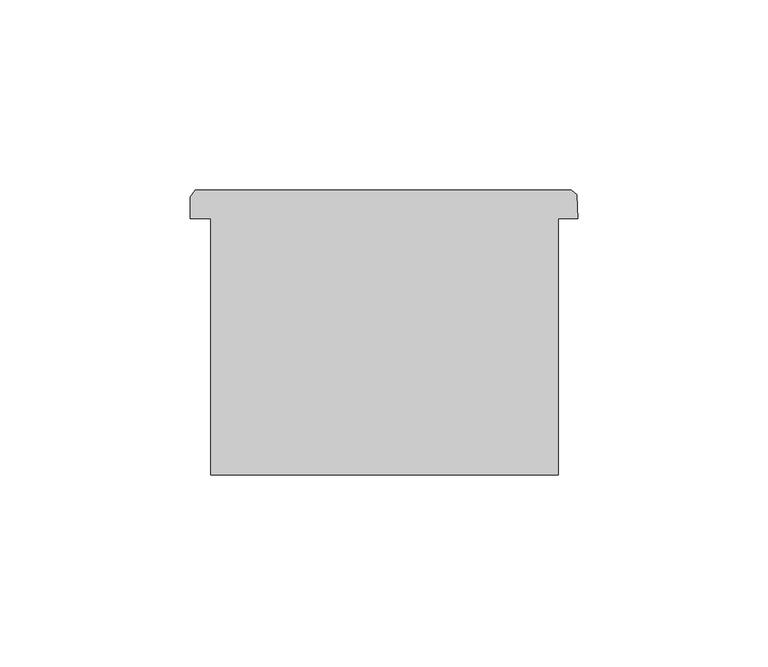
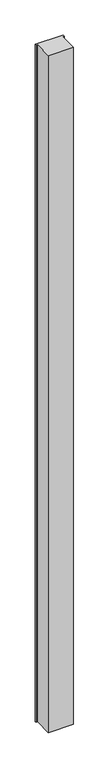
"""IFC4 building model written with IfcOpenShell, lengths in millimetres: column geometry."""

from ifc_helpers import new_model, si_unit, frame, origin, place, context, project, spatial, polyline, outline, extrude, source, transform, mapped, element, save


def column_9694ca8c(model_context):
    return source(origin(), model_context, "Body", "SweptSolid", [
        extrude(outline(polyline([(73485.4246062, -53311.9955094), (73480.3334556, -53311.9955094), (73480.3334556, -53379.2844274), (73389.1266022, -53379.2844274), (73389.1266022, -53311.9955094), (73383.8246062, -53311.9955094), (73383.8246062, -53306.2966384), (73385.0648374, -53304.5293064), (73483.7875, -53304.5293064), (73485.26959, -53305.6082984), (73485.4246062, -53311.9955094)])), frame((0.0, 0.0, 4419.602032), z_axis=(0.0, 0.0, 1.0), x_axis=(1.0, 0.0, 0.0)), (0.0, 0.0, 1.0), 2590.8000811),
        extrude(outline(polyline([(73485.4246062, -53311.9955094), (73480.3334556, -53311.9955094), (73480.3334556, -53379.2844274), (73389.1266022, -53379.2844274), (73389.1266022, -53311.9955094), (73383.8246062, -53311.9955094), (73383.8246062, -53306.2966384), (73385.0648374, -53304.5293064), (73483.7875, -53304.5293064), (73485.26959, -53305.6082984), (73485.4246062, -53311.9955094)])), frame((0.0, 0.0, 4419.602032), z_axis=(0.0, 0.0, 1.0), x_axis=(1.0, 0.0, 0.0)), (0.0, 0.0, 1.0), 2590.8000811),
    ])


if __name__ == "__main__":
    model = new_model("IFC4")
    model_context = context("Model", 3, world=origin())
    ifc_project = project(units=[si_unit("LENGTHUNIT", "METRE", prefix="MILLI")], contexts=[model_context])
    site = spatial("IfcSite", under=ifc_project)
    building = spatial("IfcBuilding", under=site)
    placement = place(None, origin())
    column_shape = column_9694ca8c(model_context)
    element("IfcColumn", 1, at=placement, inside=building, context=model_context, shape_type="MappedRepresentation", body=[
        mapped(column_shape, transform((0.0, 0.0, 0.0), x_axis=(1.0, 0.0, 0.0), y_axis=(0.0, 1.0, 0.0), z_axis=(0.0, 0.0, 1.0))),
    ])
    save(model, "model.ifc")
